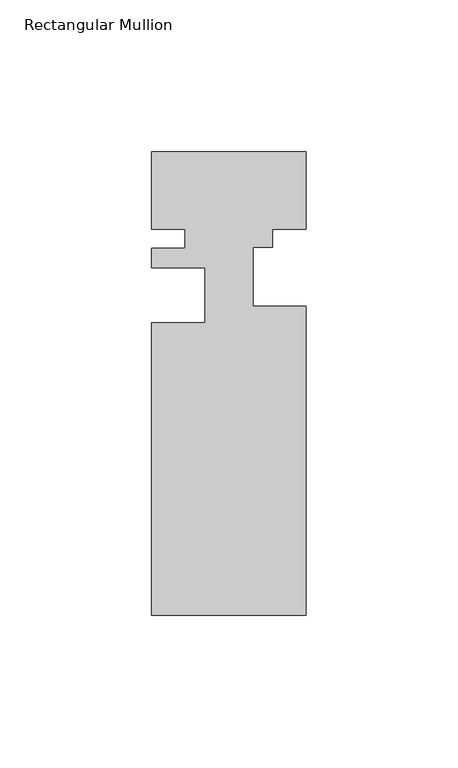
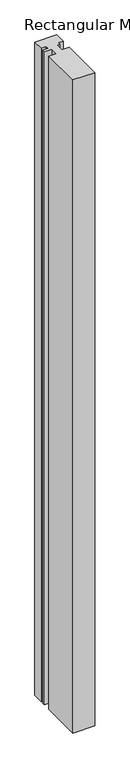
"""IFC4 building model written with IfcOpenShell, lengths in millimetres: member geometry, Rectangular Mullion."""

from ifc_helpers import new_model, si_unit, frame, origin, place, context, project, spatial, polyline, outline, extrude, source, transform, mapped, element, save


def rectangular_mullion_aa088ad6(model_context):
    return source(origin(), model_context, "Body", "SweptSolid", [
        extrude(outline(polyline([(25.4, -25.4), (14.3, -25.4), (14.3, -31.4046212), (7.9502, -31.4046212), (7.9502, -50.8), (25.4, -50.8), (25.4, -152.4), (-25.4, -152.4), (-25.4, -56.1605546), (-7.9501389, -56.1605546), (-7.9501389, -38.1118077), (-25.4, -38.1118077), (-25.4, -31.75), (-14.398625, -31.75), (-14.398625, -25.4), (-25.4, -25.4), (-25.4, 0.0), (25.4, 0.0), (25.4, -25.4)])), frame((0.0, 0.0, -1600.200584), z_axis=(0.0, 0.0, 1.0), x_axis=(1.0, 0.0, 0.0)), (0.0, 0.0, 1.0), 1600.200584),
    ])


if __name__ == "__main__":
    model = new_model("IFC4")
    model_context = context("Model", 3, world=origin())
    ifc_project = project(units=[si_unit("LENGTHUNIT", "METRE", prefix="MILLI")], contexts=[model_context])
    site = spatial("IfcSite", under=ifc_project)
    building = spatial("IfcBuilding", under=site)
    placement = place(None, origin())
    rectangular_mullion_shape = rectangular_mullion_aa088ad6(model_context)
    element("IfcMember", 1, ObjectType="Rectangular Mullion", at=placement, inside=building, context=model_context, shape_type="MappedRepresentation", body=[
        mapped(rectangular_mullion_shape, transform((0.0, 0.0, 0.0), x_axis=(1.0, 0.0, 0.0), y_axis=(0.0, 1.0, 0.0), z_axis=(0.0, 0.0, 1.0))),
    ])
    save(model, "model.ifc")
